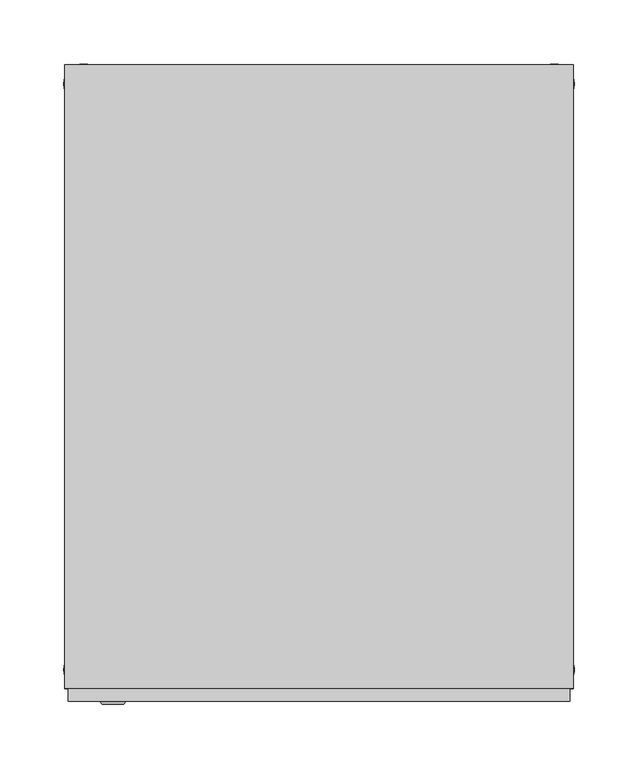
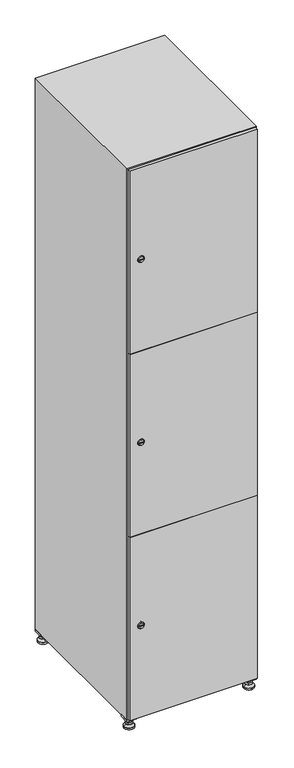
"""IFC4 building model written with IfcOpenShell, lengths in millimetres: furniture geometry."""

import ifcopenshell
import ifcopenshell.guid

model = None  # the IFC model being written
_history = None  # IfcOwnerHistory: only IFC2X3 demands one
_inside = {}  # id of a spatial element -> (the spatial element, [elements in it])
_under = {}  # id of a project, library or spatial element -> (it, [spatial elements below it])
_declared = {}  # id of a project -> (the project, [libraries it declares])
_typed = {}  # id of a type object -> (the type object, [elements of that type])
_made_of = {}  # id of a material, layer set ... -> (it, [elements and type objects made of it])


def new_model(schema):
    """Start an empty IFC model of exactly this schema.

    Asked for "IFC4X3", IfcOpenShell would pick the latest addendum, in which some entities
    have other attributes; the version numbers below select the first issue.
    IFC2X3 requires an IfcOwnerHistory on every rooted entity: one is made here for all.
    """
    global model, _history
    if schema == "IFC4X3":
        model = ifcopenshell.file(schema_version=(4, 3, 0, 0))
    else:
        model = ifcopenshell.file(schema=schema)
    _inside.clear()
    _under.clear()
    _declared.clear()
    _typed.clear()
    _made_of.clear()
    _history = None
    if model.schema == "IFC2X3":
        org = make("IfcOrganization", Name="unknown")
        user = make(
            "IfcPersonAndOrganization",
            ThePerson=make("IfcPerson", FamilyName="unknown"),
            TheOrganization=org,
        )
        app = make(
            "IfcApplication",
            ApplicationDeveloper=org,
            Version="unknown",
            ApplicationFullName="unknown",
            ApplicationIdentifier="unknown",
        )
        _history = make(
            "IfcOwnerHistory",
            OwningUser=user,
            OwningApplication=app,
            ChangeAction="ADDED",
            CreationDate=0,
        )
    return model


def make(cls, **values):
    """One entity of the class cls with the attributes given. An attribute that is None is left unset."""
    return model.create_entity(
        cls, **{name: value for name, value in values.items() if value is not None}
    )


def rooted(cls, **values):
    """An entity with a GlobalId (a new one), such as an element, a storey or a relation."""
    return make(cls, GlobalId=ifcopenshell.guid.new(), OwnerHistory=_history, **values)


def si_unit(unit_type, name, prefix=None):
    """IfcSIUnit, for example si_unit("LENGTHUNIT", "METRE", prefix="MILLI")."""
    return make("IfcSIUnit", UnitType=unit_type, Prefix=prefix, Name=name)


def assignment(units):
    """IfcUnitAssignment: the units of a project."""
    return None if units is None else make("IfcUnitAssignment", Units=units)


def point(xyz):
    """IfcCartesianPoint."""
    return None if xyz is None else make("IfcCartesianPoint", Coordinates=xyz)


def direction(xyz):
    """IfcDirection."""
    return None if xyz is None else make("IfcDirection", DirectionRatios=xyz)


def frame(location, z_axis=None, x_axis=None):
    """IfcAxis2Placement3D, a coordinate frame: its origin and axes. An axis left out is left unset."""
    return make(
        "IfcAxis2Placement3D",
        Location=point(location),
        Axis=direction(z_axis),
        RefDirection=direction(x_axis),
    )


def frame_2d(location, x_axis=None):
    """IfcAxis2Placement2D, a coordinate frame in the plane: its origin and x axis."""
    return make(
        "IfcAxis2Placement2D", Location=point(location), RefDirection=direction(x_axis)
    )


def origin():
    """The frame at (0, 0, 0) with its axes left unset."""
    return frame((0.0, 0.0, 0.0))


def origin_with_axes():
    """The frame at (0, 0, 0) with the z axis (0, 0, 1) and the x axis (1, 0, 0) written out."""
    return frame((0.0, 0.0, 0.0), z_axis=(0.0, 0.0, 1.0), x_axis=(1.0, 0.0, 0.0))


def place(relative_to, where):
    """IfcLocalPlacement: puts the frame where relative to a parent placement (None: the world)."""
    return make(
        "IfcLocalPlacement", PlacementRelTo=relative_to, RelativePlacement=where
    )


def context(
    kind, dimensions, precision=None, world=None, true_north=None, identifier=None
):
    """IfcGeometricRepresentationContext, for example the 3D "Model" context."""
    return make(
        "IfcGeometricRepresentationContext",
        ContextIdentifier=identifier,
        ContextType=kind,
        CoordinateSpaceDimension=dimensions,
        Precision=precision,
        WorldCoordinateSystem=world,
        TrueNorth=true_north,
    )


def project(units=None, contexts=None):
    """IfcProject with its units and contexts."""
    return rooted(
        "IfcProject",
        Name="project",
        RepresentationContexts=contexts,
        UnitsInContext=assignment(units),
    )


def spatial(cls, under=None, at=None, **own):
    """A site, building, storey or space (cls), placed at a placement, below another one or the project."""
    s = rooted(cls, ObjectPlacement=at, **own)
    if under is not None:
        _under.setdefault(under.id(), (under, []))[1].append(s)
    return s


def polyline(points):
    """IfcPolyline through the points."""
    return make("IfcPolyline", Points=[point(p) for p in points])


def circle_curve(where, radius):
    """IfcCircle in the frame where."""
    return make("IfcCircle", Position=where, Radius=radius)


def trimmed(basis, trim1, trim2, sense, master):
    """IfcTrimmedCurve: the piece of a basis curve between two trims."""
    return make(
        "IfcTrimmedCurve",
        BasisCurve=basis,
        Trim1=trim1,
        Trim2=trim2,
        SenseAgreement=sense,
        MasterRepresentation=master,
    )


def segment(curve, same_sense, transition):
    """IfcCompositeCurveSegment."""
    return make(
        "IfcCompositeCurveSegment",
        Transition=transition,
        SameSense=same_sense,
        ParentCurve=curve,
    )


def composite_curve(segments, self_intersect=None):
    """IfcCompositeCurve: segments joined end to end."""
    return make("IfcCompositeCurve", Segments=segments, SelfIntersect=self_intersect)


def outline(outer, holes=None, kind="AREA"):
    """IfcArbitraryClosedProfileDef: a profile drawn as a closed curve; with holes, ...WithVoids."""
    if holes is None:
        return make("IfcArbitraryClosedProfileDef", ProfileType=kind, OuterCurve=outer)
    return make(
        "IfcArbitraryProfileDefWithVoids",
        ProfileType=kind,
        OuterCurve=outer,
        InnerCurves=holes,
    )


def extrude(swept, where, along, depth):
    """IfcExtrudedAreaSolid: the profile swept, set in the frame where, extruded along a direction by depth."""
    return make(
        "IfcExtrudedAreaSolid",
        SweptArea=swept,
        Position=where,
        ExtrudedDirection=direction(along),
        Depth=depth,
    )


def faces_of(points, faces, orient=None, outer=None):
    """IfcFace entities. A face is a list of loops; a loop is a list of indices into points, from 0.

    orient and outer hold one flag for each loop. By default every Orientation is true, the
    first loop of a face is its IfcFaceOuterBound and the others are IfcFaceBound.
    """
    made = []
    for i, loops in enumerate(faces):
        bounds = []
        for j, loop in enumerate(loops):
            is_outer = j == 0 if outer is None else outer[i][j]
            bounds.append(
                make(
                    "IfcFaceOuterBound" if is_outer else "IfcFaceBound",
                    Bound=make("IfcPolyLoop", Polygon=[points[k] for k in loop]),
                    Orientation=True if orient is None else orient[i][j],
                )
            )
        made.append(make("IfcFace", Bounds=bounds))
    return made


def faceted_brep(points, faces, orient=None, outer=None, voids=None):
    """IfcFacetedBrep: a solid bounded by flat faces; with voids (closed shells), ...WithVoids."""
    shared = [point(p) for p in points]
    hull = make("IfcClosedShell", CfsFaces=faces_of(shared, faces, orient, outer))
    if voids is None:
        return make("IfcFacetedBrep", Outer=hull)
    return make(
        "IfcFacetedBrepWithVoids",
        Outer=hull,
        Voids=[
            make(cls, CfsFaces=faces_of(shared, fs, o, b)) for cls, fs, o, b in voids
        ],
    )


def shape(context_of_items, identifier, shape_type, items):
    """IfcShapeRepresentation: the items that make up one representation, for example the "Body"."""
    return make(
        "IfcShapeRepresentation",
        ContextOfItems=context_of_items,
        RepresentationIdentifier=identifier,
        RepresentationType=shape_type,
        Items=items,
    )


def source(mapping_origin, context_of_items, identifier, shape_type, items):
    """IfcRepresentationMap: a shape defined once, which mapped items show again and again."""
    return make(
        "IfcRepresentationMap",
        MappingOrigin=mapping_origin,
        MappedRepresentation=shape(context_of_items, identifier, shape_type, items),
    )


def transform(
    local_origin,
    x_axis=None,
    y_axis=None,
    z_axis=None,
    scale=None,
    scale2=None,
    scale3=None,
    uniform=True,
):
    """IfcCartesianTransformationOperator3D, or its non-uniform kind. x_axis, y_axis, z_axis: its Axis1, 2, 3."""
    if uniform:
        return make(
            "IfcCartesianTransformationOperator3D",
            Axis1=direction(x_axis),
            Axis2=direction(y_axis),
            LocalOrigin=point(local_origin),
            Scale=scale,
            Axis3=direction(z_axis),
        )
    return make(
        "IfcCartesianTransformationOperator3DnonUniform",
        Axis1=direction(x_axis),
        Axis2=direction(y_axis),
        LocalOrigin=point(local_origin),
        Scale=scale,
        Axis3=direction(z_axis),
        Scale2=scale2,
        Scale3=scale3,
    )


def mapped(mapping_source, mapping_target):
    """IfcMappedItem: shows the shape of a source again, moved by a transform."""
    return make(
        "IfcMappedItem", MappingSource=mapping_source, MappingTarget=mapping_target
    )


def made_of(thing, what):
    """Note that an element or type object is made of a material, layer set ...; save() writes the relation."""
    if what is not None:
        _made_of.setdefault(what.id(), (what, []))[1].append(thing)
    return thing


def element(
    cls,
    number,
    at=None,
    inside=None,
    cuts=None,
    type_object=None,
    material=None,
    context=None,
    identifier="Body",
    shape_type=None,
    held_by="IfcProductDefinitionShape",
    body=None,
    shapes=None,
    **own,
):
    """One element of the class cls, such as IfcWall. Its Tag is "e" and its number.

    at: its placement. inside: the storey or other place that contains it. cuts: it is an
    opening in that element (IfcRelVoidsElement). A single representation is given by context,
    identifier, shape_type and body (its items); several are given by shapes. held_by: the class
    of the entity that holds the representations. save() writes the other relations.
    """
    e = rooted(cls, Tag="e%d" % number, ObjectPlacement=at, **own)
    if body is not None:
        shapes = [shape(context, identifier, shape_type, body)]
    if shapes is not None:
        e.Representation = make(held_by, Representations=shapes)
    if inside is not None:
        _inside.setdefault(inside.id(), (inside, []))[1].append(e)
    if cuts is not None:
        rooted(
            "IfcRelVoidsElement", RelatingBuildingElement=cuts, RelatedOpeningElement=e
        )
    if type_object is not None:
        _typed.setdefault(type_object.id(), (type_object, []))[1].append(e)
    return made_of(e, material)


def aggregate(whole, parts):
    """IfcRelAggregates: a whole, such as a stair, and the parts it consists of."""
    return rooted("IfcRelAggregates", RelatingObject=whole, RelatedObjects=parts)


def save(model, path):
    """Write the relations noted so far, then the file.

    IfcRelAggregates (storeys below a building ...), IfcRelContainedInSpatialStructure (elements
    in a storey), IfcRelDefinesByType, IfcRelAssociatesMaterial and IfcRelDeclares: one each for
    every whole, place, type object, material and project.
    """
    for whole, parts in _under.values():
        aggregate(whole, parts)
    for where, things in _inside.values():
        rooted(
            "IfcRelContainedInSpatialStructure",
            RelatedElements=things,
            RelatingStructure=where,
        )
    for kind, things in _typed.values():
        rooted("IfcRelDefinesByType", RelatedObjects=things, RelatingType=kind)
    for what, things in _made_of.values():
        rooted("IfcRelAssociatesMaterial", RelatedObjects=things, RelatingMaterial=what)
    for by, libraries in _declared.values():
        rooted("IfcRelDeclares", RelatingContext=by, RelatedDefinitions=libraries)
    model.write(path)


def plane_surface(at):
    """IfcPlane: the flat surface through the origin of the frame at, square to its z axis."""
    return make("IfcPlane", Position=at)


def revolved_surface(curve, axis_point, axis_direction):
    """IfcSurfaceOfRevolution: the curve turned about the line through axis_point along axis_direction."""
    return make(
        "IfcSurfaceOfRevolution",
        SweptCurve=make("IfcArbitraryOpenProfileDef", ProfileType="CURVE", Curve=curve),
        AxisPosition=make("IfcAxis1Placement", Location=point(axis_point), Axis=direction(axis_direction)),
    )


def advanced_brep(points, edges, surfaces, faces):
    """IfcAdvancedBrep: a solid bounded by faces that lie on surfaces and meet in shared edges.

    An edge is (start, end): straight between two places in points (the first is 0);
    or (start, end, curve); or (start, end, curve, False) where it runs against its curve.
    A face is (place in surfaces, loops), or (place, loops, False) where it looks against
    its surface's normal. A loop lists edges by number (the first is 1), with a minus sign
    where the edge is run from its end to its start. The first loop is the outer one.
    """
    corners = [point(p) for p in points]
    vertices = [make("IfcVertexPoint", VertexGeometry=c) for c in corners]
    made = []
    for start, end, *more in edges:
        made.append(
            make(
                "IfcEdgeCurve",
                EdgeStart=vertices[start],
                EdgeEnd=vertices[end],
                EdgeGeometry=more[0] if more else make("IfcPolyline", Points=[corners[start], corners[end]]),
                SameSense=more[1] if len(more) > 1 else True,
            )
        )
    hull = []
    for where, loops, *sense in faces:
        bounds = []
        for j, loop in enumerate(loops):
            ring = [make("IfcOrientedEdge", EdgeElement=made[abs(k) - 1], Orientation=k > 0) for k in loop]
            bounds.append(
                make(
                    "IfcFaceOuterBound" if j == 0 else "IfcFaceBound",
                    Bound=make("IfcEdgeLoop", EdgeList=ring),
                    Orientation=True,
                )
            )
        hull.append(make("IfcAdvancedFace", Bounds=bounds, FaceSurface=surfaces[where], SameSense=sense[0] if sense else True))
    return make("IfcAdvancedBrep", Outer=make("IfcClosedShell", CfsFaces=hull))


def furniture_f62db79b(model_context):
    return source(origin(), model_context, "Body", "SolidModel", [
        extrude(outline(polyline([(200.0, 245.0), (200.0, 215.0), (170.0, 215.0), (170.0, 245.0), (200.0, 245.0)]), holes=[polyline([(198.0, 243.0), (172.0, 243.0), (172.0, 217.0), (198.0, 217.0), (198.0, 243.0)])]), frame((0.0, 0.0, 28.5), z_axis=(0.0, 0.0, 1.0), x_axis=(1.0, 0.0, 0.0)), (0.0, 0.0, 1.0), 6.5),
        extrude(outline(polyline([(170.0, -245.0), (170.0, -215.0), (200.0, -215.0), (200.0, -245.0), (170.0, -245.0)]), holes=[polyline([(172.0, -243.0), (198.0, -243.0), (198.0, -217.0), (172.0, -217.0), (172.0, -243.0)])]), frame((0.0, 0.0, 28.5), z_axis=(0.0, 0.0, 1.0), x_axis=(1.0, 0.0, 0.0)), (0.0, 0.0, 1.0), 6.5),
        extrude(outline(polyline([(-170.0, 245.0), (-170.0, 215.0), (-200.0, 215.0), (-200.0, 245.0), (-170.0, 245.0)]), holes=[polyline([(-172.0, 243.0), (-198.0, 243.0), (-198.0, 217.0), (-172.0, 217.0), (-172.0, 243.0)])]), frame((0.0, 0.0, 28.5), z_axis=(0.0, 0.0, 1.0), x_axis=(1.0, 0.0, 0.0)), (0.0, 0.0, 1.0), 6.5),
        extrude(outline(polyline([(-170.0, -215.0), (-170.0, -245.0), (-200.0, -245.0), (-200.0, -215.0), (-170.0, -215.0)]), holes=[polyline([(-198.0, -243.0), (-172.0, -243.0), (-172.0, -217.0), (-198.0, -217.0), (-198.0, -243.0)])]), frame((0.0, 0.0, 28.5), z_axis=(0.0, 0.0, 1.0), x_axis=(1.0, 0.0, 0.0)), (0.0, 0.0, 1.0), 6.5),
        extrude(outline(composite_curve([segment(trimmed(circle_curve(frame_2d((-185.0, 230.0)), 5.0), [point((-180.0, 230.0))], [point((-190.0, 230.0))], False, "CARTESIAN"), True, "CONTINUOUS"), segment(trimmed(circle_curve(frame_2d((-185.0, 230.0)), 5.0), [point((-190.0, 230.0))], [point((-180.0, 230.0))], False, "CARTESIAN"), True, "CONTINUOUS")], self_intersect=False)), frame((0.0, 0.0, 19.6), z_axis=(0.0, 0.0, 1.0), x_axis=(1.0, 0.0, 0.0)), (0.0, 0.0, 1.0), 15.4),
        extrude(outline(composite_curve([segment(trimmed(circle_curve(frame_2d((-185.0, -230.0)), 5.0), [point((-180.0, -230.0))], [point((-190.0, -230.0))], False, "CARTESIAN"), True, "CONTINUOUS"), segment(trimmed(circle_curve(frame_2d((-185.0, -230.0)), 5.0), [point((-190.0, -230.0))], [point((-180.0, -230.0))], False, "CARTESIAN"), True, "CONTINUOUS")], self_intersect=False)), frame((0.0, 0.0, 19.6), z_axis=(0.0, 0.0, 1.0), x_axis=(1.0, 0.0, 0.0)), (0.0, 0.0, 1.0), 15.4),
        extrude(outline(composite_curve([segment(trimmed(circle_curve(frame_2d((185.0, 230.0)), 5.0), [point((190.0, 230.0))], [point((180.0, 230.0))], False, "CARTESIAN"), True, "CONTINUOUS"), segment(trimmed(circle_curve(frame_2d((185.0, 230.0)), 5.0), [point((180.0, 230.0))], [point((190.0, 230.0))], False, "CARTESIAN"), True, "CONTINUOUS")], self_intersect=False)), frame((0.0, 0.0, 19.6), z_axis=(0.0, 0.0, 1.0), x_axis=(1.0, 0.0, 0.0)), (0.0, 0.0, 1.0), 15.4),
        extrude(outline(polyline([(173.4529946, 230.0), (179.2264973, 240.0), (190.7735027, 240.0), (196.5470054, 230.0), (190.7735027, 220.0), (179.2264973, 220.0), (173.4529946, 230.0)])), frame((0.0, 0.0, 13.6), z_axis=(0.0, 0.0, 1.0), x_axis=(1.0, 0.0, 0.0)), (0.0, 0.0, 1.0), 6.0),
        extrude(outline(composite_curve([segment(trimmed(circle_curve(frame_2d((185.0, -230.0)), 5.0), [point((190.0, -230.0))], [point((180.0, -230.0))], False, "CARTESIAN"), True, "CONTINUOUS"), segment(trimmed(circle_curve(frame_2d((185.0, -230.0)), 5.0), [point((180.0, -230.0))], [point((190.0, -230.0))], False, "CARTESIAN"), True, "CONTINUOUS")], self_intersect=False)), frame((0.0, 0.0, 19.6), z_axis=(0.0, 0.0, 1.0), x_axis=(1.0, 0.0, 0.0)), (0.0, 0.0, 1.0), 15.4),
        extrude(outline(polyline([(173.4529946, -230.0), (179.2264973, -220.0), (190.7735027, -220.0), (196.5470054, -230.0), (190.7735027, -240.0), (179.2264973, -240.0), (173.4529946, -230.0)])), frame((0.0, 0.0, 13.6), z_axis=(0.0, 0.0, 1.0), x_axis=(1.0, 0.0, 0.0)), (0.0, 0.0, 1.0), 6.0),
        extrude(outline(composite_curve([segment(trimmed(circle_curve(frame_2d((185.0, 230.0)), 5.0), [point((190.0, 230.0))], [point((180.0, 230.0))], False, "CARTESIAN"), True, "CONTINUOUS"), segment(trimmed(circle_curve(frame_2d((185.0, 230.0)), 5.0), [point((180.0, 230.0))], [point((190.0, 230.0))], False, "CARTESIAN"), True, "CONTINUOUS")], self_intersect=False)), frame((0.0, 0.0, 12.1), z_axis=(0.0, 0.0, 1.0), x_axis=(1.0, 0.0, 0.0)), (0.0, 0.0, 1.0), 1.5),
        extrude(outline(composite_curve([segment(trimmed(circle_curve(frame_2d((185.0, -230.0)), 5.0), [point((190.0, -230.0))], [point((180.0, -230.0))], False, "CARTESIAN"), True, "CONTINUOUS"), segment(trimmed(circle_curve(frame_2d((185.0, -230.0)), 5.0), [point((180.0, -230.0))], [point((190.0, -230.0))], False, "CARTESIAN"), True, "CONTINUOUS")], self_intersect=False)), frame((0.0, 0.0, 12.1), z_axis=(0.0, 0.0, 1.0), x_axis=(1.0, 0.0, 0.0)), (0.0, 0.0, 1.0), 1.5),
        extrude(outline(polyline([(-196.5470054, 230.0), (-190.7735027, 240.0), (-179.2264973, 240.0), (-173.4529946, 230.0), (-179.2264973, 220.0), (-190.7735027, 220.0), (-196.5470054, 230.0)])), frame((0.0, 0.0, 13.6), z_axis=(0.0, 0.0, 1.0), x_axis=(1.0, 0.0, 0.0)), (0.0, 0.0, 1.0), 6.0),
        extrude(outline(polyline([(-196.5470054, -230.0), (-190.7735027, -220.0), (-179.2264973, -220.0), (-173.4529946, -230.0), (-179.2264973, -240.0), (-190.7735027, -240.0), (-196.5470054, -230.0)])), frame((0.0, 0.0, 13.6), z_axis=(0.0, 0.0, 1.0), x_axis=(1.0, 0.0, 0.0)), (0.0, 0.0, 1.0), 6.0),
        extrude(outline(composite_curve([segment(trimmed(circle_curve(frame_2d((-185.0, 230.0)), 5.0), [point((-185.0, 235.0))], [point((-185.0, 225.0))], False, "CARTESIAN"), True, "CONTINUOUS"), segment(trimmed(circle_curve(frame_2d((-185.0, 230.0)), 5.0), [point((-185.0, 225.0))], [point((-185.0, 235.0))], False, "CARTESIAN"), True, "CONTINUOUS")], self_intersect=False)), frame((0.0, 0.0, 12.1), z_axis=(0.0, 0.0, 1.0), x_axis=(1.0, 0.0, 0.0)), (0.0, 0.0, 1.0), 1.5),
        extrude(outline(composite_curve([segment(trimmed(circle_curve(frame_2d((-185.0, -230.0)), 5.0), [point((-180.0, -230.0))], [point((-190.0, -230.0))], False, "CARTESIAN"), True, "CONTINUOUS"), segment(trimmed(circle_curve(frame_2d((-185.0, -230.0)), 5.0), [point((-190.0, -230.0))], [point((-180.0, -230.0))], False, "CARTESIAN"), True, "CONTINUOUS")], self_intersect=False)), frame((0.0, 0.0, 12.1), z_axis=(0.0, 0.0, 1.0), x_axis=(1.0, 0.0, 0.0)), (0.0, 0.0, 1.0), 1.5),
        extrude(outline(composite_curve([segment(trimmed(circle_curve(frame_2d((185.0, 230.0)), 15.75), [point((200.75, 230.0))], [point((169.25, 230.0))], False, "CARTESIAN"), True, "CONTINUOUS"), segment(trimmed(circle_curve(frame_2d((185.0, 230.0)), 15.75), [point((169.25, 230.0))], [point((200.75, 230.0))], False, "CARTESIAN"), True, "CONTINUOUS")], self_intersect=False)), origin_with_axes(), (0.0, 0.0, 1.0), 5.1),
        extrude(outline(composite_curve([segment(trimmed(circle_curve(frame_2d((185.0, -230.0)), 15.75), [point((185.0, -214.25))], [point((185.0, -245.75))], False, "CARTESIAN"), True, "CONTINUOUS"), segment(trimmed(circle_curve(frame_2d((185.0, -230.0)), 15.75), [point((185.0, -245.75))], [point((185.0, -214.25))], False, "CARTESIAN"), True, "CONTINUOUS")], self_intersect=False)), origin_with_axes(), (0.0, 0.0, 1.0), 5.1),
        extrude(outline(composite_curve([segment(trimmed(circle_curve(frame_2d((-185.0, -230.0)), 15.75), [point((-169.25, -230.0))], [point((-200.75, -230.0))], False, "CARTESIAN"), True, "CONTINUOUS"), segment(trimmed(circle_curve(frame_2d((-185.0, -230.0)), 15.75), [point((-200.75, -230.0))], [point((-169.25, -230.0))], False, "CARTESIAN"), True, "CONTINUOUS")], self_intersect=False)), origin_with_axes(), (0.0, 0.0, 1.0), 5.1),
        extrude(outline(composite_curve([segment(trimmed(circle_curve(frame_2d((-185.0, 230.0)), 15.75), [point((-169.25, 230.0))], [point((-200.75, 230.0))], False, "CARTESIAN"), True, "CONTINUOUS"), segment(trimmed(circle_curve(frame_2d((-185.0, 230.0)), 15.75), [point((-200.75, 230.0))], [point((-169.25, 230.0))], False, "CARTESIAN"), True, "CONTINUOUS")], self_intersect=False)), origin_with_axes(), (0.0, 0.0, 1.0), 5.1),
        advanced_brep(
        [(-185.0, 239.5, 12.1), (-185.0, 220.5, 12.1), (-185.0, 214.25, 5.1), (-185.0, 245.75, 5.1)],
        [
            (0, 1, circle_curve(frame((-185.0, 230.0, 12.1), z_axis=(0.0, 0.0, -1.0), x_axis=(0.0, 1.0, 0.0)), 9.5)),
            (1, 2),
            (2, 3, circle_curve(frame((-185.0, 230.0, 5.1), z_axis=(0.0, 0.0, 1.0), x_axis=(0.0, 1.0, 0.0)), 15.75)),
            (3, 0),
            (1, 0, circle_curve(frame((-185.0, 230.0, 12.1), z_axis=(0.0, 0.0, -1.0), x_axis=(0.0, -1.0, 0.0)), 9.5)),
            (3, 2, circle_curve(frame((-185.0, 230.0, 5.1), z_axis=(0.0, 0.0, 1.0), x_axis=(0.0, -1.0, 0.0)), 15.75)),
        ],
        [
            revolved_surface(polyline([(-185.0, 220.5, 12.099999999999998), (-185.0, 214.25, 5.099999999999998)]), (-185.0, 230.0, 22.74), (0.0, 0.0, -1.0)),
            revolved_surface(polyline([(-185.0, 239.5, 12.099999999999998), (-185.0, 245.75, 5.099999999999998)]), (-185.0, 230.0, 22.74), (0.0, 0.0, -1.0)),
            plane_surface(frame((-185.0, 230.0, 5.1), z_axis=(0.0, 0.0, -1.0), x_axis=(1.0, 0.0, 0.0))),
            plane_surface(frame((-185.0, 230.0, 12.1), z_axis=(0.0, 0.0, 1.0), x_axis=(1.0, 0.0, 0.0))),
        ],
        [
            (0, [[1, 2, 3, 4]]),
            (1, [[5, -4, 6, -2]]),
            (2, [[-3, -6]]),
            (3, [[-5, -1]]),
        ],
    ),
        advanced_brep(
        [(185.0, 239.5, 12.1), (185.0, 220.5, 12.1), (185.0, 214.25, 5.1), (185.0, 245.75, 5.1)],
        [
            (0, 1, circle_curve(frame((185.0, 230.0, 12.1), z_axis=(0.0, 0.0, -1.0), x_axis=(0.0, 1.0, 0.0)), 9.5)),
            (1, 2),
            (2, 3, circle_curve(frame((185.0, 230.0, 5.1), z_axis=(0.0, 0.0, 1.0), x_axis=(0.0, 1.0, 0.0)), 15.75)),
            (3, 0),
            (1, 0, circle_curve(frame((185.0, 230.0, 12.1), z_axis=(0.0, 0.0, -1.0), x_axis=(0.0, -1.0, 0.0)), 9.5)),
            (3, 2, circle_curve(frame((185.0, 230.0, 5.1), z_axis=(0.0, 0.0, 1.0), x_axis=(0.0, -1.0, 0.0)), 15.75)),
        ],
        [
            revolved_surface(polyline([(185.0, 220.5, 12.099999999999998), (185.0, 214.25, 5.099999999999998)]), (185.0, 230.0, 22.74), (0.0, 0.0, -1.0)),
            revolved_surface(polyline([(185.0, 239.5, 12.099999999999998), (185.0, 245.75, 5.099999999999998)]), (185.0, 230.0, 22.74), (0.0, 0.0, -1.0)),
            plane_surface(frame((185.0, 230.0, 5.1), z_axis=(0.0, 0.0, -1.0), x_axis=(1.0, 0.0, 0.0))),
            plane_surface(frame((185.0, 230.0, 12.1), z_axis=(0.0, 0.0, 1.0), x_axis=(1.0, 0.0, 0.0))),
        ],
        [
            (0, [[1, 2, 3, 4]]),
            (1, [[5, -4, 6, -2]]),
            (2, [[-3, -6]]),
            (3, [[-5, -1]]),
        ],
    ),
        advanced_brep(
        [(200.75, -230.0, 5.1), (169.25, -230.0, 5.1), (175.5, -230.0, 12.1), (194.5, -230.0, 12.1)],
        [
            (0, 1, circle_curve(frame((185.0, -230.0, 5.1), z_axis=(0.0, 0.0, 1.0), x_axis=(1.0, 0.0, 0.0)), 15.75)),
            (1, 2),
            (2, 3, circle_curve(frame((185.0, -230.0, 12.1), z_axis=(0.0, 0.0, -1.0), x_axis=(1.0, 0.0, 0.0)), 9.5)),
            (3, 0),
            (1, 0, circle_curve(frame((185.0, -230.0, 5.1), z_axis=(0.0, 0.0, 1.0), x_axis=(-1.0, 0.0, 0.0)), 15.75)),
            (3, 2, circle_curve(frame((185.0, -230.0, 12.1), z_axis=(0.0, 0.0, -1.0), x_axis=(-1.0, 0.0, 0.0)), 9.5)),
        ],
        [
            revolved_surface(polyline([(194.5, -230.0, 12.099999999999998), (200.75, -230.0, 5.099999999999998)]), (185.0, -230.0, 22.74), (0.0, 0.0, -1.0)),
            revolved_surface(polyline([(175.5, -230.0, 12.099999999999998), (169.25, -230.0, 5.099999999999998)]), (185.0, -230.0, 22.74), (0.0, 0.0, -1.0)),
            plane_surface(frame((185.0, -230.0, 12.1), z_axis=(0.0, 0.0, 1.0), x_axis=(0.0, 1.0, 0.0))),
            plane_surface(frame((185.0, -230.0, 5.1), z_axis=(0.0, 0.0, -1.0), x_axis=(0.0, 1.0, 0.0))),
        ],
        [
            (0, [[1, 2, 3, 4]]),
            (1, [[5, -4, 6, -2]]),
            (2, [[-3, -6]]),
            (3, [[-5, -1]]),
        ],
    ),
        advanced_brep(
        [(-169.25, -230.0, 5.1), (-200.75, -230.0, 5.1), (-194.5, -230.0, 12.1), (-175.5, -230.0, 12.1)],
        [
            (0, 1, circle_curve(frame((-185.0, -230.0, 5.1), z_axis=(0.0, 0.0, 1.0), x_axis=(1.0, 0.0, 0.0)), 15.75)),
            (1, 2),
            (2, 3, circle_curve(frame((-185.0, -230.0, 12.1), z_axis=(0.0, 0.0, -1.0), x_axis=(1.0, 0.0, 0.0)), 9.5)),
            (3, 0),
            (1, 0, circle_curve(frame((-185.0, -230.0, 5.1), z_axis=(0.0, 0.0, 1.0), x_axis=(-1.0, 0.0, 0.0)), 15.75)),
            (3, 2, circle_curve(frame((-185.0, -230.0, 12.1), z_axis=(0.0, 0.0, -1.0), x_axis=(-1.0, 0.0, 0.0)), 9.5)),
        ],
        [
            revolved_surface(polyline([(-175.5, -230.0, 12.099999999999998), (-169.25, -230.0, 5.099999999999998)]), (-185.0, -230.0, 22.74), (0.0, 0.0, -1.0)),
            revolved_surface(polyline([(-194.5, -230.0, 12.099999999999998), (-200.75, -230.0, 5.099999999999998)]), (-185.0, -230.0, 22.74), (0.0, 0.0, -1.0)),
            plane_surface(frame((-185.0, -230.0, 12.1), z_axis=(0.0, 0.0, 1.0), x_axis=(0.0, 1.0, 0.0))),
            plane_surface(frame((-185.0, -230.0, 5.1), z_axis=(0.0, 0.0, -1.0), x_axis=(0.0, 1.0, 0.0))),
        ],
        [
            (0, [[1, 2, 3, 4]]),
            (1, [[5, -4, 6, -2]]),
            (2, [[-3, -6]]),
            (3, [[-5, -1]]),
        ],
    ),
        extrude(outline(composite_curve([segment(trimmed(circle_curve(frame_2d((337.0, -188.7989466)), 7.0), [point((344.0, -188.7989466))], [point((330.0, -188.7989466))], False, "CARTESIAN"), True, "CONTINUOUS"), segment(polyline([(330.0, -188.7989466), (330.0, -160.7989466)]), True, "CONTINUOUS"), segment(trimmed(circle_curve(frame_2d((337.0, -160.7989466)), 7.0), [point((330.0, -160.7989466))], [point((344.0, -160.7989466))], False, "CARTESIAN"), True, "CONTINUOUS"), segment(polyline([(344.0, -160.7989466), (344.0, -188.7989466)]), True, "CONTINUOUS")], self_intersect=False)), frame((0.0, -245.0, 0.0), z_axis=(0.0, 1.0, 0.0), x_axis=(0.0, 0.0, 1.0)), (0.0, 0.0, 1.0), 2.0),
        advanced_brep(
        [(-153.5, -257.2, 337.0), (-170.5, -257.2, 337.0), (-167.0, -257.2, 335.75), (-167.0, -257.2, 338.25), (-157.0, -257.2, 338.25), (-157.0, -257.2, 335.75), (-151.5, -255.0, 337.0), (-172.5, -255.0, 337.0), (-167.0, -255.0, 338.25), (-167.0, -255.0, 335.75), (-157.0, -255.0, 335.75), (-157.0, -255.0, 338.25)],
        [
            (0, 1, circle_curve(frame((-162.0, -257.2, 337.0), z_axis=(0.0, -1.0, 0.0), x_axis=(1.0, 0.0, 0.0)), 8.5)),
            (1, 0, circle_curve(frame((-162.0, -257.2, 337.0), z_axis=(0.0, -1.0, 0.0), x_axis=(-1.0, 0.0, 0.0)), 8.5)),
            (2, 3),
            (3, 4),
            (4, 5),
            (5, 2),
            (6, 7, circle_curve(frame((-162.0, -255.0, 337.0), z_axis=(0.0, 1.0, 0.0), x_axis=(-1.0, 0.0, 0.0)), 10.5)),
            (7, 6, circle_curve(frame((-162.0, -255.0, 337.0), z_axis=(0.0, 1.0, 0.0), x_axis=(1.0, 0.0, 0.0)), 10.5)),
            (8, 9),
            (9, 10),
            (10, 11),
            (11, 8),
            (0, 6),
            (7, 1),
            (8, 3),
            (2, 9),
            (11, 4),
            (10, 5),
        ],
        [
            plane_surface(frame((-162.0, -257.2, 337.0), z_axis=(0.0, -1.0, 0.0), x_axis=(0.0, 0.0, 1.0))),
            plane_surface(frame((-162.0, -255.0, 337.0), z_axis=(0.0, 1.0, 0.0), x_axis=(0.0, 0.0, 1.0))),
            revolved_surface(polyline([(-153.5, -257.2, 337.0), (-151.5, -255.0, 337.0)]), (-162.0, -266.55, 337.0), (0.0, 1.0, 0.0)),
            revolved_surface(polyline([(-170.5, -257.2, 337.0), (-172.5, -255.0, 337.0)]), (-162.0, -266.55, 337.0), (0.0, 1.0, 0.0)),
            plane_surface(frame((-167.0, -255.0, 335.75), z_axis=(1.0, 0.0, 0.0), x_axis=(0.0, -1.0, 0.0))),
            plane_surface(frame((-167.0, -255.0, 338.25), z_axis=(0.0, 0.0, -1.0), x_axis=(0.0, -1.0, 0.0))),
            plane_surface(frame((-157.0, -255.0, 338.25), z_axis=(-1.0, 0.0, 0.0), x_axis=(0.0, -1.0, 0.0))),
            plane_surface(frame((-157.0, -255.0, 335.75), z_axis=(0.0, 0.0, 1.0), x_axis=(0.0, -1.0, 0.0))),
        ],
        [
            (0, [[1, 2], [3, 4, 5, 6]]),
            (1, [[7, 8], [9, 10, 11, 12]]),
            (2, [[-1, 13, -8, 14]]),
            (3, [[-2, -14, -7, -13]]),
            (4, [[15, -3, 16, -9]]),
            (5, [[-15, -12, 17, -4]]),
            (6, [[-17, -11, 18, -5]]),
            (7, [[-16, -6, -18, -10]]),
        ],
    ),
        extrude(outline(composite_curve([segment(trimmed(circle_curve(frame_2d((935.0, -188.7989466)), 7.0), [point((942.0, -188.7989466))], [point((928.0, -188.7989466))], False, "CARTESIAN"), True, "CONTINUOUS"), segment(polyline([(928.0, -188.7989466), (928.0, -160.7989466)]), True, "CONTINUOUS"), segment(trimmed(circle_curve(frame_2d((935.0, -160.7989466)), 7.0), [point((928.0, -160.7989466))], [point((942.0, -160.7989466))], False, "CARTESIAN"), True, "CONTINUOUS"), segment(polyline([(942.0, -160.7989466), (942.0, -188.7989466)]), True, "CONTINUOUS")], self_intersect=False)), frame((0.0, -245.0, 0.0), z_axis=(0.0, 1.0, 0.0), x_axis=(0.0, 0.0, 1.0)), (0.0, 0.0, 1.0), 2.0),
        advanced_brep(
        [(-153.5, -257.2, 935.0), (-170.5, -257.2, 935.0), (-167.0, -257.2, 933.75), (-167.0, -257.2, 936.25), (-157.0, -257.2, 936.25), (-157.0, -257.2, 933.75), (-151.5, -255.0, 935.0), (-172.5, -255.0, 935.0), (-167.0, -255.0, 936.25), (-167.0, -255.0, 933.75), (-157.0, -255.0, 933.75), (-157.0, -255.0, 936.25)],
        [
            (0, 1, circle_curve(frame((-162.0, -257.2, 935.0), z_axis=(0.0, -1.0, 0.0), x_axis=(1.0, 0.0, 0.0)), 8.5)),
            (1, 0, circle_curve(frame((-162.0, -257.2, 935.0), z_axis=(0.0, -1.0, 0.0), x_axis=(-1.0, 0.0, 0.0)), 8.5)),
            (2, 3),
            (3, 4),
            (4, 5),
            (5, 2),
            (6, 7, circle_curve(frame((-162.0, -255.0, 935.0), z_axis=(0.0, 1.0, 0.0), x_axis=(-1.0, 0.0, 0.0)), 10.5)),
            (7, 6, circle_curve(frame((-162.0, -255.0, 935.0), z_axis=(0.0, 1.0, 0.0), x_axis=(1.0, 0.0, 0.0)), 10.5)),
            (8, 9),
            (9, 10),
            (10, 11),
            (11, 8),
            (0, 6),
            (7, 1),
            (8, 3),
            (2, 9),
            (11, 4),
            (10, 5),
        ],
        [
            plane_surface(frame((-162.0, -257.2, 935.0), z_axis=(0.0, -1.0, 0.0), x_axis=(0.0, 0.0, 1.0))),
            plane_surface(frame((-162.0, -255.0, 935.0), z_axis=(0.0, 1.0, 0.0), x_axis=(0.0, 0.0, 1.0))),
            revolved_surface(polyline([(-153.5, -257.2, 935.0), (-151.5, -255.0, 935.0)]), (-162.0, -266.55, 935.0), (0.0, 1.0, 0.0)),
            revolved_surface(polyline([(-170.5, -257.2, 935.0), (-172.5, -255.0, 935.0)]), (-162.0, -266.55, 935.0), (0.0, 1.0, 0.0)),
            plane_surface(frame((-167.0, -255.0, 933.75), z_axis=(1.0, 0.0, 0.0), x_axis=(0.0, -1.0, 0.0))),
            plane_surface(frame((-167.0, -255.0, 936.25), z_axis=(0.0, 0.0, -1.0), x_axis=(0.0, -1.0, 0.0))),
            plane_surface(frame((-157.0, -255.0, 936.25), z_axis=(-1.0, 0.0, 0.0), x_axis=(0.0, -1.0, 0.0))),
            plane_surface(frame((-157.0, -255.0, 933.75), z_axis=(0.0, 0.0, 1.0), x_axis=(0.0, -1.0, 0.0))),
        ],
        [
            (0, [[1, 2], [3, 4, 5, 6]]),
            (1, [[7, 8], [9, 10, 11, 12]]),
            (2, [[-1, 13, -8, 14]]),
            (3, [[-2, -14, -7, -13]]),
            (4, [[15, -3, 16, -9]]),
            (5, [[-15, -12, 17, -4]]),
            (6, [[-17, -11, 18, -5]]),
            (7, [[-16, -6, -18, -10]]),
        ],
    ),
        extrude(outline(composite_curve([segment(trimmed(circle_curve(frame_2d((1533.0, -188.7989466)), 7.0), [point((1540.0, -188.7989466))], [point((1526.0, -188.7989466))], False, "CARTESIAN"), True, "CONTINUOUS"), segment(polyline([(1526.0, -188.7989466), (1526.0, -160.7989466)]), True, "CONTINUOUS"), segment(trimmed(circle_curve(frame_2d((1533.0, -160.7989466)), 7.0), [point((1526.0, -160.7989466))], [point((1540.0, -160.7989466))], False, "CARTESIAN"), True, "CONTINUOUS"), segment(polyline([(1540.0, -160.7989466), (1540.0, -188.7989466)]), True, "CONTINUOUS")], self_intersect=False)), frame((0.0, -245.0, 0.0), z_axis=(0.0, 1.0, 0.0), x_axis=(0.0, 0.0, 1.0)), (0.0, 0.0, 1.0), 2.0),
        advanced_brep(
        [(-153.5, -257.2, 1533.0), (-170.5, -257.2, 1533.0), (-167.0, -257.2, 1531.75), (-167.0, -257.2, 1534.25), (-157.0, -257.2, 1534.25), (-157.0, -257.2, 1531.75), (-151.5, -255.0, 1533.0), (-172.5, -255.0, 1533.0), (-167.0, -255.0, 1534.25), (-167.0, -255.0, 1531.75), (-157.0, -255.0, 1531.75), (-157.0, -255.0, 1534.25)],
        [
            (0, 1, circle_curve(frame((-162.0, -257.2, 1533.0), z_axis=(0.0, -1.0, 0.0), x_axis=(1.0, 0.0, 0.0)), 8.5)),
            (1, 0, circle_curve(frame((-162.0, -257.2, 1533.0), z_axis=(0.0, -1.0, 0.0), x_axis=(-1.0, 0.0, 0.0)), 8.5)),
            (2, 3),
            (3, 4),
            (4, 5),
            (5, 2),
            (6, 7, circle_curve(frame((-162.0, -255.0, 1533.0), z_axis=(0.0, 1.0, 0.0), x_axis=(-1.0, 0.0, 0.0)), 10.5)),
            (7, 6, circle_curve(frame((-162.0, -255.0, 1533.0), z_axis=(0.0, 1.0, 0.0), x_axis=(1.0, 0.0, 0.0)), 10.5)),
            (8, 9),
            (9, 10),
            (10, 11),
            (11, 8),
            (0, 6),
            (7, 1),
            (8, 3),
            (2, 9),
            (11, 4),
            (10, 5),
        ],
        [
            plane_surface(frame((-162.0, -257.2, 1533.0), z_axis=(0.0, -1.0, 0.0), x_axis=(0.0, 0.0, 1.0))),
            plane_surface(frame((-162.0, -255.0, 1533.0), z_axis=(0.0, 1.0, 0.0), x_axis=(0.0, 0.0, 1.0))),
            revolved_surface(polyline([(-153.5, -257.2, 1533.0), (-151.5, -255.0, 1533.0)]), (-162.0, -266.55, 1533.0), (0.0, 1.0, 0.0)),
            revolved_surface(polyline([(-170.5, -257.2, 1533.0), (-172.5, -255.0, 1533.0)]), (-162.0, -266.55, 1533.0), (0.0, 1.0, 0.0)),
            plane_surface(frame((-167.0, -255.0, 1531.75), z_axis=(1.0, 0.0, 0.0), x_axis=(0.0, -1.0, 0.0))),
            plane_surface(frame((-167.0, -255.0, 1534.25), z_axis=(0.0, 0.0, -1.0), x_axis=(0.0, -1.0, 0.0))),
            plane_surface(frame((-157.0, -255.0, 1534.25), z_axis=(-1.0, 0.0, 0.0), x_axis=(0.0, -1.0, 0.0))),
            plane_surface(frame((-157.0, -255.0, 1531.75), z_axis=(0.0, 0.0, 1.0), x_axis=(0.0, -1.0, 0.0))),
        ],
        [
            (0, [[1, 2], [3, 4, 5, 6]]),
            (1, [[7, 8], [9, 10, 11, 12]]),
            (2, [[-1, 13, -8, 14]]),
            (3, [[-2, -14, -7, -13]]),
            (4, [[15, -3, 16, -9]]),
            (5, [[-15, -12, 17, -4]]),
            (6, [[-17, -11, 18, -5]]),
            (7, [[-16, -6, -18, -10]]),
        ],
    ),
        extrude(outline(polyline([(197.0, -245.0), (197.0, -255.0), (-197.0, -255.0), (-197.0, -245.0), (197.0, -245.0)])), frame((0.0, 0.0, 636.5), z_axis=(0.0, 0.0, 1.0), x_axis=(1.0, 0.0, 0.0)), (0.0, 0.0, 1.0), 597.0),
        extrude(outline(polyline([(-197.0, -255.0), (-197.0, -245.0), (197.0, -245.0), (197.0, -255.0), (-197.0, -255.0)])), frame((0.0, 0.0, 1234.5), z_axis=(0.0, 0.0, 1.0), x_axis=(1.0, 0.0, 0.0)), (0.0, 0.0, 1.0), 597.5),
        extrude(outline(polyline([(197.0, -245.0), (197.0, -255.0), (-197.0, -255.0), (-197.0, -245.0), (197.0, -245.0)])), frame((0.0, 0.0, 38.0), z_axis=(0.0, 0.0, 1.0), x_axis=(1.0, 0.0, 0.0)), (0.0, 0.0, 1.0), 597.5),
        extrude(outline(polyline([(179.6, 242.0), (179.6, -235.0), (-179.6, -235.0), (-179.6, 242.0), (179.6, 242.0)])), frame((0.0, 0.0, 1214.7333333), z_axis=(0.0, 0.0, 1.0), x_axis=(1.0, 0.0, 0.0)), (0.0, 0.0, 1.0), 20.4),
        extrude(outline(polyline([(-179.6, 242.0), (179.6, 242.0), (179.6, -235.0), (-179.6, -235.0), (-179.6, 242.0)])), frame((0.0, 0.0, 634.8666667), z_axis=(0.0, 0.0, 1.0), x_axis=(1.0, 0.0, 0.0)), (0.0, 0.0, 1.0), 20.4),
        faceted_brep([(200.0, -245.0, 35.0), (200.0, -245.0, 1835.0), (-200.0, -245.0, 1835.0), (-200.0, -245.0, 35.0), (179.6, -245.0, 1804.8), (179.6, -245.0, 65.2), (-179.6, -245.0, 65.2), (-179.6, -245.0, 1804.8), (200.0, 245.0, 35.0), (-200.0, 245.0, 35.0), (200.0, 245.0, 1835.0), (-200.0, 245.0, 1835.0), (179.6, 242.0, 1804.8), (179.6, 242.0, 65.2), (-200.0, 245.0, 1804.8), (-179.6, 242.0, 1804.8), (-179.6, 242.0, 65.2)], [[[0, 1, 2, 3], [4, 5, 6, 7]], [[8, 0, 3, 9]], [[1, 0, 8, 10]], [[1, 10, 11, 2]], [[4, 12, 13, 5]], [[9, 3, 2, 11, 14]], [[10, 8, 9, 14, 11]], [[12, 15, 16, 13]], [[15, 7, 6, 16]], [[4, 7, 15, 12]], [[6, 5, 13, 16]]]),
    ])


if __name__ == "__main__":
    model = new_model("IFC4")
    model_context = context("Model", 3, world=origin())
    ifc_project = project(units=[si_unit("LENGTHUNIT", "METRE", prefix="MILLI")], contexts=[model_context])
    site = spatial("IfcSite", under=ifc_project)
    building = spatial("IfcBuilding", under=site)
    placement = place(None, origin())
    furniture_shape = furniture_f62db79b(model_context)
    element("IfcFurniture", 1, at=placement, inside=building, context=model_context, shape_type="MappedRepresentation", body=[
        mapped(furniture_shape, transform((0.0, 0.0, 0.0), x_axis=(1.0, 0.0, 0.0), y_axis=(0.0, 1.0, 0.0), z_axis=(0.0, 0.0, 1.0))),
    ])
    save(model, "model.ifc")
